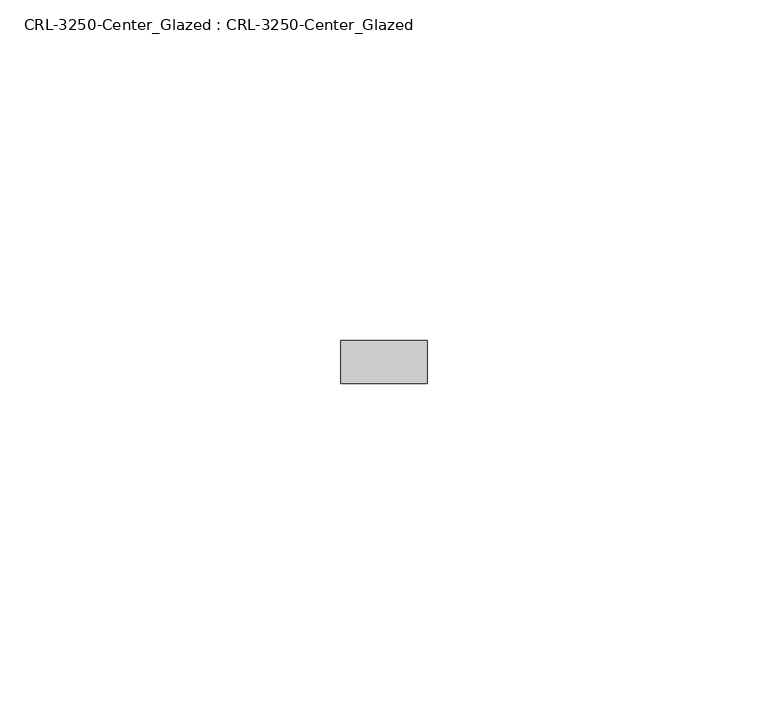
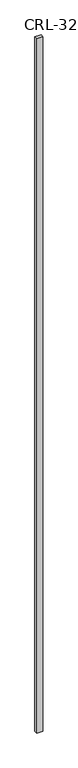
"""IFC4 building model written with IfcOpenShell, lengths in millimetres: plate geometry, CRL-3250-Center_Glazed : CRL-3250-Center_Glazed."""

from ifc_helpers import new_model, si_unit, origin, origin_with_axes, place, context, project, spatial, polyline, outline, extrude, source, transform, mapped, element, save


def crl_3250_center_glazed_crl_3250_center_glazed_769ffe96(model_context):
    return source(origin(), model_context, "Body", "SweptSolid", [
        extrude(outline(polyline([(6.35, -3.1749999), (-6.35, -3.1749999), (-6.35, 3.1749999), (6.35, 3.1749999), (6.35, -3.1749999)])), origin_with_axes(), (0.0, 0.0, 1.0), 1485.9),
    ])


if __name__ == "__main__":
    model = new_model("IFC4")
    model_context = context("Model", 3, world=origin())
    ifc_project = project(units=[si_unit("LENGTHUNIT", "METRE", prefix="MILLI")], contexts=[model_context])
    site = spatial("IfcSite", under=ifc_project)
    building = spatial("IfcBuilding", under=site)
    placement = place(None, origin())
    crl_3250_center_glazed_crl_3250_center_glazed_shape = crl_3250_center_glazed_crl_3250_center_glazed_769ffe96(model_context)
    element("IfcPlate", 1, ObjectType="CRL-3250-Center_Glazed : CRL-3250-Center_Glazed", at=placement, inside=building, context=model_context, shape_type="MappedRepresentation", body=[
        mapped(crl_3250_center_glazed_crl_3250_center_glazed_shape, transform((0.0, 0.0, 0.0), x_axis=(1.0, 0.0, 0.0), y_axis=(0.0, 1.0, 0.0), z_axis=(0.0, 0.0, 1.0))),
    ])
    save(model, "model.ifc")
